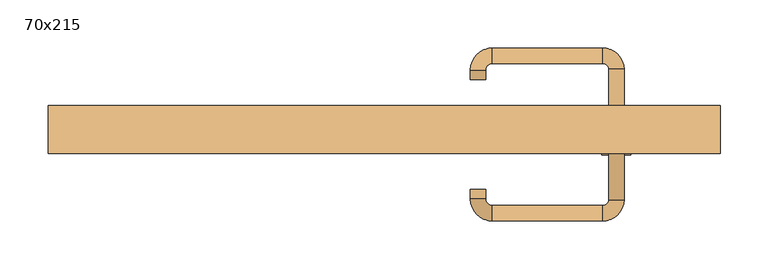
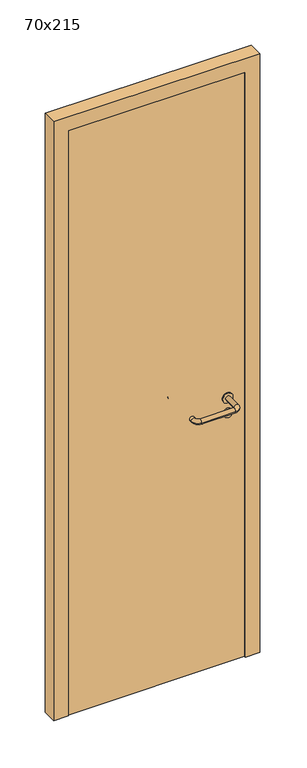
"""IFC4 building model written with IfcOpenShell, lengths in millimetres: door geometry, 70x215."""

from ifc_helpers import new_model, si_unit, point, frame, frame_2d, origin, origin_with_axes, place, context, project, spatial, polyline, circle_curve, ellipse_curve, trimmed, segment, composite_curve, outline, extrude, source, transform, mapped, element, save
from ifc_brep_helpers import plane_surface, cylinder_surface, revolved_surface, advanced_brep


def door_70x215_62c96021(model_context):
    return source(origin(), model_context, "Body", "SolidModel", [
        extrude(outline(composite_curve([segment(trimmed(circle_curve(frame_2d((897.3605726, 242.0)), 15.0), [point((897.3605726, 257.0))], [point((897.3605726, 227.0))], False, "CARTESIAN"), True, "CONTINUOUS"), segment(trimmed(circle_curve(frame_2d((897.3605726, 242.0)), 15.0), [point((897.3605726, 227.0))], [point((897.3605726, 257.0))], False, "CARTESIAN"), True, "CONTINUOUS")], self_intersect=False), holes=[composite_curve([segment(trimmed(circle_curve(frame_2d((892.5833211, 241.9398032)), 2.0), [point((892.5833211, 243.9398032))], [point((892.5833211, 239.9398032))], True, "CARTESIAN"), True, "CONTINUOUS"), segment(polyline([(892.5833211, 239.9398032), (902.5833211, 239.9398032)]), True, "CONTINUOUS"), segment(trimmed(circle_curve(frame_2d((902.5833211, 241.9398032)), 2.0), [point((902.5833211, 239.9398032))], [point((902.5833211, 243.9398032))], True, "CARTESIAN"), True, "CONTINUOUS"), segment(polyline([(902.5833211, 243.9398032), (892.5833211, 243.9398032)]), True, "CONTINUOUS")], self_intersect=False)]), frame((0.0, -15.0, 0.0), z_axis=(0.0, 1.0, 0.0), x_axis=(0.0, 0.0, 1.0)), (0.0, 0.0, 1.0), 6.35),
        extrude(outline(composite_curve([segment(trimmed(circle_curve(frame_2d((950.0, 242.0)), 17.526), [point((950.0, 259.526))], [point((950.0, 224.474))], False, "CARTESIAN"), True, "CONTINUOUS"), segment(trimmed(circle_curve(frame_2d((950.0, 242.0)), 17.526), [point((950.0, 224.474))], [point((950.0, 259.526))], False, "CARTESIAN"), True, "CONTINUOUS")], self_intersect=False)), frame((0.0, -15.0, 0.0), z_axis=(0.0, 1.0, 0.0), x_axis=(0.0, 0.0, 1.0)), (0.0, 0.0, 1.0), 3.175),
        advanced_brep(
        [(250.0, -15.0, 950.0), (234.0, -15.0, 950.0), (250.0, 38.0, 950.0), (234.0, 38.0, 950.0), (227.8578644, 44.1421356, 950.0), (227.8578644, 60.1421356, 950.0), (112.8578644, 60.1421356, 950.0), (112.8578644, 44.1421356, 950.0), (106.008622, 37.2928932, 950.0), (90.008622, 37.2928932, 950.0), (90.008622, 27.2928932, 950.0), (106.008622, 27.2928932, 950.0)],
        [
            (0, 1, circle_curve(frame((242.0, -15.0, 950.0), z_axis=(0.0, -1.0, 0.0), x_axis=(-1.0, 0.0, 0.0)), 8.0)),
            (1, 0, circle_curve(frame((242.0, -15.0, 950.0), z_axis=(0.0, -1.0, 0.0), x_axis=(-1.0, 0.0, 0.0)), 8.0)),
            (0, 2),
            (2, 3, circle_curve(frame((242.0, 38.0, 950.0), z_axis=(0.0, -1.0, 0.0), x_axis=(-1.0, 0.0, 0.0)), 8.0)),
            (3, 1),
            (3, 2, circle_curve(frame((242.0, 38.0, 950.0), z_axis=(0.0, -1.0, 0.0), x_axis=(-1.0, 0.0, 0.0)), 8.0)),
            (4, 3, circle_curve(frame((227.8578644, 38.0, 950.0), z_axis=(0.0, 0.0, -1.0), x_axis=(1.0, 0.0, 0.0)), 6.1421356)),
            (2, 5, circle_curve(frame((227.8578644, 38.0, 950.0), z_axis=(0.0, 0.0, 1.0), x_axis=(1.0, 0.0, 0.0)), 22.1421356)),
            (5, 4, circle_curve(frame((227.8578644, 52.1421356, 950.0), z_axis=(1.0, 0.0, 0.0), x_axis=(0.0, -1.0, 0.0)), 8.0)),
            (4, 5, circle_curve(frame((227.8578644, 52.1421356, 950.0), z_axis=(1.0, 0.0, 0.0), x_axis=(0.0, -1.0, 0.0)), 8.0)),
            (5, 6),
            (6, 7, circle_curve(frame((112.8578644, 52.1421356, 950.0), z_axis=(1.0, 0.0, 0.0), x_axis=(0.0, -1.0, 0.0)), 8.0)),
            (7, 4),
            (7, 6, circle_curve(frame((112.8578644, 52.1421356, 950.0), z_axis=(1.0, 0.0, 0.0), x_axis=(0.0, -1.0, 0.0)), 8.0)),
            (8, 7, circle_curve(frame((112.8578644, 37.2928932, 950.0), z_axis=(0.0, 0.0, -1.0), x_axis=(0.0, 1.0, 0.0)), 6.8492424)),
            (6, 9, circle_curve(frame((112.8578644, 37.2928932, 950.0), z_axis=(0.0, 0.0, 1.0), x_axis=(0.0, 1.0, 0.0)), 22.8492424)),
            (9, 8, circle_curve(frame((98.008622, 37.2928932, 950.0), z_axis=(0.0, 1.0, 0.0), x_axis=(1.0, 0.0, 0.0)), 8.0)),
            (8, 9, circle_curve(frame((98.008622, 37.2928932, 950.0), z_axis=(0.0, 1.0, 0.0), x_axis=(1.0, 0.0, 0.0)), 8.0)),
            (10, 11, circle_curve(frame((98.008622, 27.2928932, 950.0), z_axis=(0.0, -1.0, 0.0), x_axis=(1.0, 0.0, 0.0)), 8.0)),
            (11, 10, circle_curve(frame((98.008622, 27.2928932, 950.0), z_axis=(0.0, -1.0, 0.0), x_axis=(1.0, 0.0, 0.0)), 8.0)),
            (9, 10),
            (11, 8),
        ],
        [
            plane_surface(frame((242.0, -15.0, 170.0), z_axis=(0.0, -1.0, 0.0), x_axis=(0.0, 0.0, 1.0))),
            cylinder_surface(frame((242.0, -15.0, 950.0), z_axis=(0.0, -1.0, 0.0), x_axis=(-1.0, 0.0, 0.0)), 8.0),
            revolved_surface(trimmed(ellipse_curve(frame((242.0, 38.0, 950.0), z_axis=(0.0, -1.0, 0.0), x_axis=(-1.0, 0.0, 0.0)), 8.0, 8.0), [point((250.0, 38.0, 950.0))], [point((234.0, 38.0, 950.0))], True, "CARTESIAN"), (227.8578644, 38.0, 170.0), (0.0, 0.0, 1.0)),
            revolved_surface(trimmed(ellipse_curve(frame((242.0, 38.0, 950.0), z_axis=(0.0, -1.0, 0.0), x_axis=(-1.0, 0.0, 0.0)), 8.0, 8.0), [point((234.0, 38.0, 950.0))], [point((250.0, 38.0, 950.0))], True, "CARTESIAN"), (227.8578644, 38.0, 170.0), (0.0, 0.0, 1.0)),
            cylinder_surface(frame((227.8578644, 52.1421356, 950.0), z_axis=(1.0, 0.0, 0.0), x_axis=(0.0, -1.0, 0.0)), 8.0),
            revolved_surface(trimmed(ellipse_curve(frame((112.8578644, 52.1421356, 950.0), z_axis=(1.0, 0.0, 0.0), x_axis=(0.0, -1.0, 0.0)), 8.0, 8.0), [point((112.8578644, 60.1421356, 950.0))], [point((112.8578644, 44.1421356, 950.0))], True, "CARTESIAN"), (112.8578644, 37.2928932, 170.0), (0.0, 0.0, 1.0)),
            revolved_surface(trimmed(ellipse_curve(frame((112.8578644, 52.1421356, 950.0), z_axis=(1.0, 0.0, 0.0), x_axis=(0.0, -1.0, 0.0)), 8.0, 8.0), [point((112.8578644, 44.1421356, 950.0))], [point((112.8578644, 60.1421356, 950.0))], True, "CARTESIAN"), (112.8578644, 37.2928932, 170.0), (0.0, 0.0, 1.0)),
            plane_surface(frame((98.008622, 27.2928932, 170.0), z_axis=(0.0, -1.0, 0.0), x_axis=(0.0, 0.0, 1.0))),
            cylinder_surface(frame((98.008622, 37.2928932, 950.0), z_axis=(0.0, 1.0, 0.0), x_axis=(1.0, 0.0, 0.0)), 8.0),
        ],
        [
            (0, [[1, 2]]),
            (1, [[-1, 3, 4, 5]]),
            (1, [[-2, -5, 6, -3]]),
            (2, [[7, -4, 8, 9]]),
            (3, [[-8, -6, -7, 10]]),
            (4, [[-9, 11, 12, 13]]),
            (4, [[-10, -13, 14, -11]]),
            (5, [[15, -12, 16, 17]]),
            (6, [[-16, -14, -15, 18]]),
            (7, [[19, 20]]),
            (8, [[-17, 21, -20, 22]]),
            (8, [[-18, -22, -19, -21]]),
        ],
    ),
        extrude(outline(composite_curve([segment(trimmed(circle_curve(frame_2d((0.0, 15.0)), 15.0), [point((0.0, 30.0))], [point((0.0, 0.0))], False, "CARTESIAN"), True, "CONTINUOUS"), segment(trimmed(circle_curve(frame_2d((0.0, 15.0)), 15.0), [point((0.0, 0.0))], [point((0.0, 30.0))], False, "CARTESIAN"), True, "CONTINUOUS")], self_intersect=False), holes=[composite_curve([segment(trimmed(circle_curve(frame_2d((-4.7772515, 14.9398032)), 2.0), [point((-4.7772515, 16.9398032))], [point((-4.7772515, 12.9398032))], True, "CARTESIAN"), True, "CONTINUOUS"), segment(polyline([(-4.7772515, 12.9398032), (5.2227485, 12.9398032)]), True, "CONTINUOUS"), segment(trimmed(circle_curve(frame_2d((5.2227485, 14.9398032)), 2.0), [point((5.2227485, 12.9398032))], [point((5.2227485, 16.9398032))], True, "CARTESIAN"), True, "CONTINUOUS"), segment(polyline([(5.2227485, 16.9398032), (-4.7772515, 16.9398032)]), True, "CONTINUOUS")], self_intersect=False)]), frame((227.0, -51.35, 897.3605726), z_axis=(-1.8870575173328306e-12, 1.0, 0.0), x_axis=(0.0, 0.0, 1.0)), (0.0, 0.0, 1.0), 6.35),
        extrude(outline(composite_curve([segment(trimmed(circle_curve(frame_2d((0.0, 17.526)), 17.526), [point((0.0, 35.052))], [point((0.0, 0.0))], False, "CARTESIAN"), True, "CONTINUOUS"), segment(trimmed(circle_curve(frame_2d((0.0, 17.526)), 17.526), [point((0.0, 0.0))], [point((0.0, 35.052))], False, "CARTESIAN"), True, "CONTINUOUS")], self_intersect=False)), frame((224.474, -48.175, 950.0), z_axis=(-1.8870575173328306e-12, 1.0, 0.0), x_axis=(0.0, 0.0, 1.0)), (0.0, 0.0, 1.0), 3.175),
        advanced_brep(
        [(250.0, -45.0, 950.0), (234.0, -45.0, 950.0), (234.0, -98.0, 950.0), (250.0, -98.0, 950.0), (227.8578644, -104.1421356, 950.0), (227.8578644, -120.1421356, 950.0), (112.8578644, -104.1421356, 950.0), (112.8578644, -120.1421356, 950.0), (106.008622, -97.2928932, 950.0), (90.008622, -97.2928932, 950.0), (90.008622, -87.2928932, 950.0), (106.008622, -87.2928932, 950.0)],
        [
            (0, 1, circle_curve(frame((242.0, -45.0, 950.0), z_axis=(-1.888672253512351e-12, 1.0, 0.0), x_axis=(-1.0, -1.888672253512351e-12, 0.0)), 8.0)),
            (1, 0, circle_curve(frame((242.0, -45.0, 950.0), z_axis=(-1.888672253512351e-12, 1.0, 0.0), x_axis=(-1.0, -1.888672253512351e-12, 0.0)), 8.0)),
            (1, 2),
            (2, 3, circle_curve(frame((242.0, -98.0, 950.0), z_axis=(-1.888672253512351e-12, 1.0, 0.0), x_axis=(-1.0, -1.888672253512351e-12, 0.0)), 8.0)),
            (3, 0),
            (3, 2, circle_curve(frame((242.0, -98.0, 950.0), z_axis=(-1.888672253512351e-12, 1.0, 0.0), x_axis=(-1.0, -1.888672253512351e-12, 0.0)), 8.0)),
            (4, 5, circle_curve(frame((227.8578644, -112.1421356, 950.0), z_axis=(1.0, 1.913702061528922e-12, 0.0), x_axis=(-1.913702061528922e-12, 1.0, 0.0)), 8.0)),
            (5, 3, circle_curve(frame((227.8578644, -98.0, 950.0), z_axis=(0.0, 0.0, 1.0), x_axis=(1.0, 1.880717803715015e-12, 0.0)), 22.1421356)),
            (2, 4, circle_curve(frame((227.8578644, -98.0, 950.0), z_axis=(0.0, 0.0, -1.0), x_axis=(1.0, 1.880717803715015e-12, 0.0)), 6.1421356)),
            (5, 4, circle_curve(frame((227.8578644, -112.1421356, 950.0), z_axis=(1.0, 1.913702061528922e-12, 0.0), x_axis=(-1.913702061528922e-12, 1.0, 0.0)), 8.0)),
            (4, 6),
            (6, 7, circle_curve(frame((112.8578644, -112.1421356, 950.0), z_axis=(1.0, 1.913719828541269e-12, 0.0), x_axis=(-1.913719828541269e-12, 1.0, 0.0)), 8.0)),
            (7, 5),
            (7, 6, circle_curve(frame((112.8578644, -112.1421356, 950.0), z_axis=(1.0, 1.913719828541269e-12, 0.0), x_axis=(-1.913719828541269e-12, 1.0, 0.0)), 8.0)),
            (8, 9, circle_curve(frame((98.008622, -97.2928932, 950.0), z_axis=(1.890226565746826e-12, -1.0, 0.0), x_axis=(1.0, 1.890226565746826e-12, 0.0)), 8.0)),
            (9, 7, circle_curve(frame((112.8578644, -97.2928932, 950.0), z_axis=(0.0, 0.0, 1.0), x_axis=(1.9120873253494017e-12, -1.0, 0.0)), 22.8492424)),
            (6, 8, circle_curve(frame((112.8578644, -97.2928932, 950.0), z_axis=(0.0, 0.0, -1.0), x_axis=(1.9120873253494017e-12, -1.0, 0.0)), 6.8492424)),
            (9, 8, circle_curve(frame((98.008622, -97.2928932, 950.0), z_axis=(1.890670654956676e-12, -1.0, 0.0), x_axis=(1.0, 1.890670654956676e-12, 0.0)), 8.0)),
            (10, 11, circle_curve(frame((98.008622, -87.2928932, 950.0), z_axis=(-1.8903642334018795e-12, 1.0, 0.0), x_axis=(1.0, 1.8903642334018795e-12, 0.0)), 8.0)),
            (11, 10, circle_curve(frame((98.008622, -87.2928932, 950.0), z_axis=(-1.8903642334018795e-12, 1.0, 0.0), x_axis=(1.0, 1.8903642334018795e-12, 0.0)), 8.0)),
            (8, 11),
            (10, 9),
        ],
        [
            plane_surface(frame((242.0, -45.0, 170.0), z_axis=(-1.8870575173328306e-12, 1.0, 0.0), x_axis=(0.0, 0.0, 1.0))),
            cylinder_surface(frame((242.0, -45.0, 950.0), z_axis=(-1.888672253512351e-12, 1.0, 0.0), x_axis=(-1.0, -1.888672253512351e-12, 0.0)), 8.0),
            revolved_surface(trimmed(ellipse_curve(frame((242.0, -98.0, 950.0), z_axis=(1.8823325398945356e-12, -1.0, 0.0), x_axis=(-1.0, -1.8823325398945356e-12, 0.0)), 8.0, 8.0), [point((250.0, -98.0, 950.0))], [point((234.0, -98.0, 950.0))], True, "CARTESIAN"), (227.8578644, -98.0, 170.0), (0.0, 0.0, 1.0)),
            revolved_surface(trimmed(ellipse_curve(frame((242.0, -98.0, 950.0), z_axis=(1.8823325398945356e-12, -1.0, 0.0), x_axis=(-1.0, -1.8823325398945356e-12, 0.0)), 8.0, 8.0), [point((234.0, -98.0, 950.0))], [point((250.0, -98.0, 950.0))], True, "CARTESIAN"), (227.8578644, -98.0, 170.0), (0.0, 0.0, 1.0)),
            cylinder_surface(frame((227.8578644, -112.1421356, 950.0), z_axis=(1.0, 1.913719828541269e-12, 0.0), x_axis=(-1.913719828541269e-12, 1.0, 0.0)), 8.0),
            revolved_surface(trimmed(ellipse_curve(frame((112.8578644, -112.1421356, 950.0), z_axis=(-1.0, -1.913702061528922e-12, 0.0), x_axis=(-1.913702061528922e-12, 1.0, 0.0)), 8.0, 8.0), [point((112.8578644, -120.1421356, 950.0))], [point((112.8578644, -104.1421356, 950.0))], True, "CARTESIAN"), (112.8578644, -97.2928932, 170.0), (0.0, 0.0, 1.0)),
            revolved_surface(trimmed(ellipse_curve(frame((112.8578644, -112.1421356, 950.0), z_axis=(-1.0, -1.913702061528922e-12, 0.0), x_axis=(-1.913702061528922e-12, 1.0, 0.0)), 8.0, 8.0), [point((112.8578644, -104.1421356, 950.0))], [point((112.8578644, -120.1421356, 950.0))], True, "CARTESIAN"), (112.8578644, -97.2928932, 170.0), (0.0, 0.0, 1.0)),
            plane_surface(frame((98.008622, -87.2928932, 170.0), z_axis=(-1.8887494972223595e-12, 1.0, 0.0), x_axis=(0.0, 0.0, 1.0))),
            cylinder_surface(frame((98.008622, -97.2928932, 950.0), z_axis=(1.8903642334018795e-12, -1.0, 0.0), x_axis=(1.0, 1.8903642334018795e-12, 0.0)), 8.0),
        ],
        [
            (0, [[1, 2]]),
            (1, [[3, 4, 5, -2]]),
            (1, [[-5, 6, -3, -1]]),
            (2, [[7, 8, -4, 9]]),
            (3, [[10, -9, -6, -8]]),
            (4, [[11, 12, 13, -7]]),
            (4, [[-13, 14, -11, -10]]),
            (5, [[15, 16, -12, 17]]),
            (6, [[18, -17, -14, -16]]),
            (7, [[19, 20]]),
            (8, [[21, -19, 22, -15]]),
            (8, [[-22, -20, -21, -18]]),
        ],
    ),
        extrude(outline(polyline([(2100.0, 300.0), (0.0, 300.0), (0.0, 350.0), (2150.0, 350.0), (2150.0, -350.0), (0.0, -350.0), (0.0, -300.0), (2100.0, -300.0), (2100.0, 300.0)])), frame((0.0, -50.0, 0.0), z_axis=(0.0, 1.0, 0.0), x_axis=(0.0, 0.0, 1.0)), (0.0, 0.0, 1.0), 50.0),
        extrude(outline(polyline([(-300.0, -45.0), (-300.0, -15.0), (300.0, -15.0), (300.0, -45.0), (-300.0, -45.0)])), origin_with_axes(), (0.0, 0.0, 1.0), 2100.0),
    ])


if __name__ == "__main__":
    model = new_model("IFC4")
    model_context = context("Model", 3, world=origin())
    ifc_project = project(units=[si_unit("LENGTHUNIT", "METRE", prefix="MILLI")], contexts=[model_context])
    site = spatial("IfcSite", under=ifc_project)
    building = spatial("IfcBuilding", under=site)
    placement = place(None, origin())
    door_70x215_shape = door_70x215_62c96021(model_context)
    element("IfcDoor", 1, ObjectType="70x215", at=placement, inside=building, context=model_context, shape_type="MappedRepresentation", body=[
        mapped(door_70x215_shape, transform((0.0, 0.0, 0.0), x_axis=(1.0, 0.0, 0.0), y_axis=(0.0, 1.0, 0.0), z_axis=(0.0, 0.0, 1.0))),
    ])
    save(model, "model.ifc")
